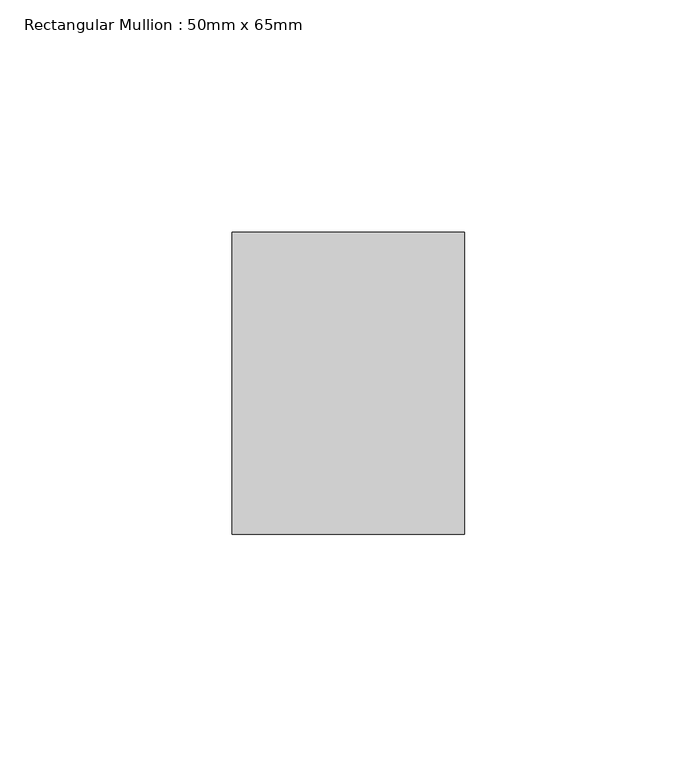
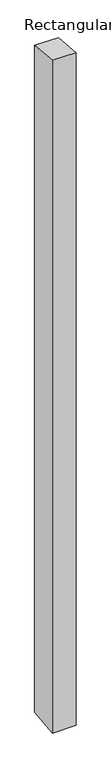
"""IFC4 building model written with IfcOpenShell, lengths in millimetres: member geometry, Rectangular Mullion : 50mm x 65mm."""

from ifc_helpers import new_model, si_unit, origin, place, context, project, spatial, faceted_brep, source, transform, mapped, element, save


def rectangular_mullion_50mm_x_65mm_1442beb4(model_context):
    return source(origin(), model_context, "Body", "Brep", [
        faceted_brep([(-25.0, 32.5, -2.9911508), (25.0, 32.5, -2.991159), (25.0, 32.5, -1496.6283042), (-25.0, 32.5, -1496.6283134), (-25.0, -32.5, 2.991159), (-25.0, -32.5, -1503.3716733), (25.0, -32.5, 2.9911508), (25.0, -32.5, -1503.3716641)], [[[0, 1, 2, 3]], [[4, 0, 3, 5]], [[6, 4, 5, 7]], [[1, 6, 7, 2]], [[1, 0, 4, 6]], [[2, 7, 5, 3]]]),
    ])


if __name__ == "__main__":
    model = new_model("IFC4")
    model_context = context("Model", 3, world=origin())
    ifc_project = project(units=[si_unit("LENGTHUNIT", "METRE", prefix="MILLI")], contexts=[model_context])
    site = spatial("IfcSite", under=ifc_project)
    building = spatial("IfcBuilding", under=site)
    placement = place(None, origin())
    rectangular_mullion_50mm_x_65mm_shape = rectangular_mullion_50mm_x_65mm_1442beb4(model_context)
    element("IfcMember", 1, ObjectType="Rectangular Mullion : 50mm x 65mm", at=placement, inside=building, context=model_context, shape_type="MappedRepresentation", body=[
        mapped(rectangular_mullion_50mm_x_65mm_shape, transform((0.0, 0.0, 0.0), x_axis=(1.0, 0.0, 0.0), y_axis=(0.0, 1.0, 0.0), z_axis=(0.0, 0.0, 1.0))),
    ])
    save(model, "model.ifc")
